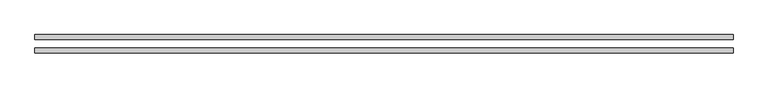
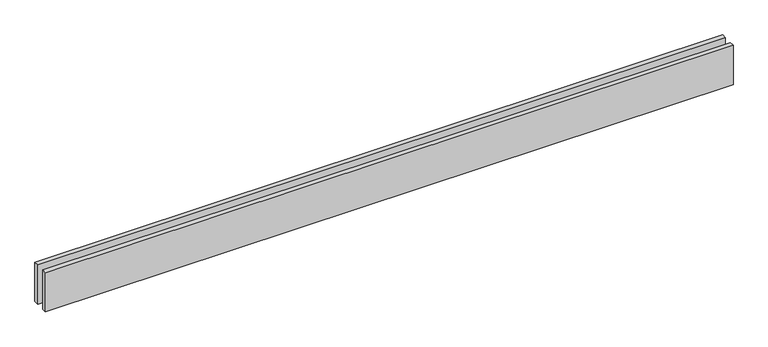
"""IFC4 building model written with IfcOpenShell, lengths in millimetres: proxy geometry."""

from ifc_helpers import new_model, si_unit, origin, origin_with_axes, place, context, project, spatial, polyline, outline, extrude, source, transform, mapped, element, save


def generic_models_4284b5ad(model_context):
    return source(origin(), model_context, "Body", "SweptSolid", [
        extrude(outline(polyline([(4135.0, 25.0), (0.0, 25.0), (0.0, 55.0), (4135.0, 55.0), (4135.0, 25.0)])), origin_with_axes(), (0.0, 0.0, 1.0), 250.0),
        extrude(outline(polyline([(4135.0, -55.0), (0.0, -55.0), (0.0, -25.0), (4135.0, -25.0), (4135.0, -55.0)])), origin_with_axes(), (0.0, 0.0, 1.0), 250.0),
    ])


if __name__ == "__main__":
    model = new_model("IFC4")
    model_context = context("Model", 3, world=origin())
    ifc_project = project(units=[si_unit("LENGTHUNIT", "METRE", prefix="MILLI")], contexts=[model_context])
    site = spatial("IfcSite", under=ifc_project)
    building = spatial("IfcBuilding", under=site)
    placement = place(None, origin())
    generic_models_shape = generic_models_4284b5ad(model_context)
    element("IfcBuildingElementProxy", 1, Name="Generic Models", at=placement, inside=building, context=model_context, shape_type="MappedRepresentation", body=[
        mapped(generic_models_shape, transform((0.0, 0.0, 0.0), x_axis=(1.0, 0.0, 0.0), y_axis=(0.0, 1.0, 0.0), z_axis=(0.0, 0.0, 1.0))),
    ])
    save(model, "model.ifc")
